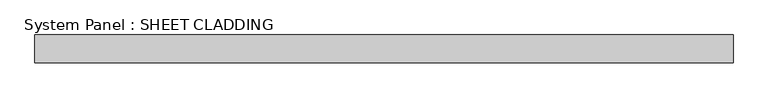
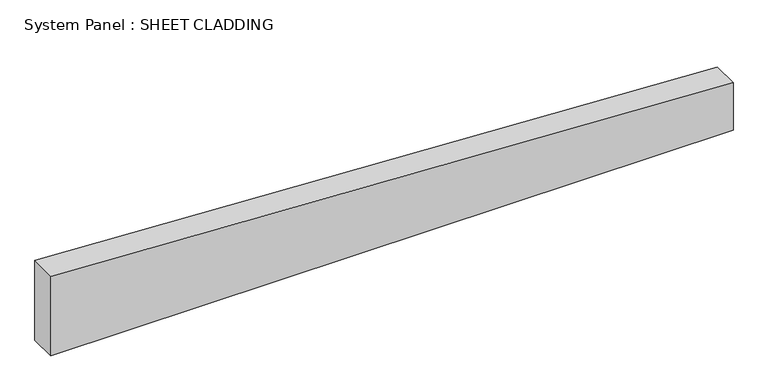
"""IFC4 building model written with IfcOpenShell, lengths in millimetres: plate geometry, System Panel : SHEET CLADDING."""

from ifc_helpers import new_model, si_unit, frame, origin, place, context, project, spatial, polyline, outline, extrude, source, transform, mapped, element, save


def system_panel_sheet_cladding_dc705d8e(model_context):
    return source(origin(), model_context, "Body", "SweptSolid", [
        extrude(outline(polyline([(0.0, -750.0), (0.0, 750.0), (110.1, 750.0), (185.1, -750.0), (0.0, -750.0)])), frame((0.0, -49.5, 0.0), z_axis=(0.0, 1.0, 0.0), x_axis=(0.0, 0.0, 1.0)), (0.0, 0.0, 1.0), 60.0),
    ])


if __name__ == "__main__":
    model = new_model("IFC4")
    model_context = context("Model", 3, world=origin())
    ifc_project = project(units=[si_unit("LENGTHUNIT", "METRE", prefix="MILLI")], contexts=[model_context])
    site = spatial("IfcSite", under=ifc_project)
    building = spatial("IfcBuilding", under=site)
    placement = place(None, origin())
    system_panel_sheet_cladding_shape = system_panel_sheet_cladding_dc705d8e(model_context)
    element("IfcPlate", 1, ObjectType="System Panel : SHEET CLADDING", at=placement, inside=building, context=model_context, shape_type="MappedRepresentation", body=[
        mapped(system_panel_sheet_cladding_shape, transform((0.0, 0.0, 0.0), x_axis=(1.0, 0.0, 0.0), y_axis=(0.0, 1.0, 0.0), z_axis=(0.0, 0.0, 1.0))),
    ])
    save(model, "model.ifc")
